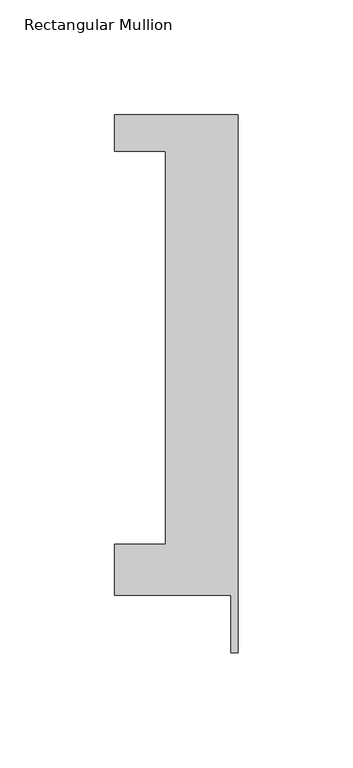
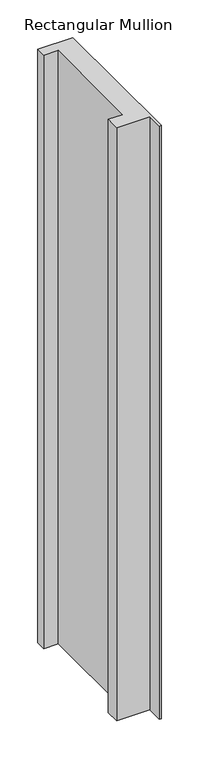
"""IFC4 building model written with IfcOpenShell, lengths in millimetres: member geometry, Rectangular Mullion."""

from ifc_helpers import new_model, si_unit, frame, origin, place, context, project, spatial, polyline, outline, extrude, source, transform, mapped, element, save


def rectangular_mullion_ab55b55e(model_context):
    return source(origin(), model_context, "Body", "SweptSolid", [
        extrude(outline(polyline([(-53.975, 221.996), (0.0, 221.996), (0.0, -12.7), (-3.175, -12.7), (-3.175, 12.446), (-53.975, 12.446), (-53.975, 34.671), (-31.75, 34.671), (-31.75, 206.121), (-53.975, 206.121), (-53.975, 221.996)])), frame((0.0, 0.0, -962.025), z_axis=(0.0, 0.0, 1.0), x_axis=(1.0, 0.0, 0.0)), (0.0, 0.0, 1.0), 962.025),
    ])


if __name__ == "__main__":
    model = new_model("IFC4")
    model_context = context("Model", 3, world=origin())
    ifc_project = project(units=[si_unit("LENGTHUNIT", "METRE", prefix="MILLI")], contexts=[model_context])
    site = spatial("IfcSite", under=ifc_project)
    building = spatial("IfcBuilding", under=site)
    placement = place(None, origin())
    rectangular_mullion_shape = rectangular_mullion_ab55b55e(model_context)
    element("IfcMember", 1, ObjectType="Rectangular Mullion", at=placement, inside=building, context=model_context, shape_type="MappedRepresentation", body=[
        mapped(rectangular_mullion_shape, transform((0.0, 0.0, 0.0), x_axis=(1.0, 0.0, 0.0), y_axis=(0.0, 1.0, 0.0), z_axis=(0.0, 0.0, 1.0))),
    ])
    save(model, "model.ifc")
